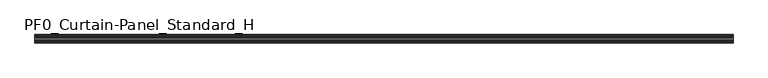
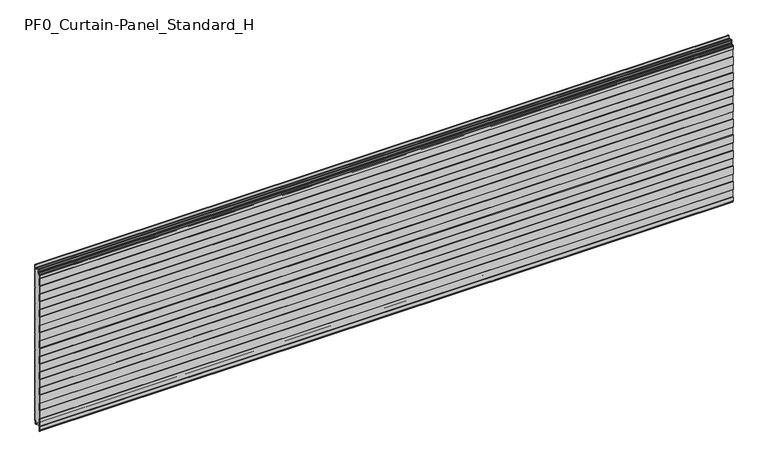
"""IFC4 building model written with IfcOpenShell, lengths in millimetres: plate geometry, PF0_Curtain-Panel_Standard_H."""

from ifc_helpers import new_model, si_unit, point, frame, frame_2d, origin, place, context, project, spatial, polyline, circle_curve, trimmed, segment, composite_curve, outline, extrude, source, transform, mapped, element, save


def pf0_curtain_panel_standard_h_a3f9a514(model_context):
    return source(origin(), model_context, "Body", "SweptSolid", [
        extrude(outline(composite_curve([segment(polyline([(-40.0, 0.0), (-43.5, 0.0)]), True, "CONTINUOUS"), segment(trimmed(circle_curve(frame_2d((-43.5, -2.0)), 2.0), [point((-43.5, 0.0))], [point((-45.5, -2.0))], True, "CARTESIAN"), True, "CONTINUOUS"), segment(polyline([(-45.5, -2.0), (-45.5, -33.0)]), True, "CONTINUOUS"), segment(trimmed(circle_curve(frame_2d((-46.5, -33.0)), 1.0), [point((-45.5, -33.0))], [point((-47.5, -33.0))], False, "CARTESIAN"), True, "CONTINUOUS"), segment(polyline([(-47.5, -33.0), (-47.5, -26.9)]), True, "CONTINUOUS"), segment(trimmed(circle_curve(frame_2d((-48.4, -26.9)), 0.9), [point((-47.5, -26.9))], [point((-48.4, -26.0))], True, "CARTESIAN"), True, "CONTINUOUS"), segment(trimmed(circle_curve(frame_2d((-48.4, -24.4)), 1.6), [point((-48.4, -26.0))], [point((-50.0, -24.4))], False, "CARTESIAN"), True, "CONTINUOUS"), segment(polyline([(-50.0, -24.4), (-50.0, -0.9952559), (-48.5, 1.6028217), (-48.5, 46.4028193), (-50.0, 49.0008969), (-50.0, 99.0047441), (-48.5, 101.6028217), (-48.5, 146.4028193), (-50.0, 149.0008969), (-50.0, 199.0047441), (-48.5, 201.6028217), (-48.5, 246.4028193), (-50.0, 249.0008969), (-50.0, 299.0047441), (-48.5, 301.6028217), (-48.5, 346.4028193), (-50.0, 349.0008969), (-50.0, 399.0047441), (-48.5, 401.6028217), (-48.5, 446.4028193), (-50.0, 449.0008969), (-50.0, 499.0047441), (-48.5, 501.6028217), (-48.5, 546.4028193), (-50.0, 549.0008969), (-50.0, 599.0047441), (-48.5, 601.6028217), (-48.5, 646.4028193), (-50.0, 649.0008969), (-50.0, 699.0047441), (-48.5, 701.6028217), (-48.5, 746.4028193), (-50.0, 749.0008969), (-50.0, 799.0047441), (-48.5, 801.6028217), (-48.5, 846.4028193), (-50.0, 849.0008969), (-50.0, 899.0047441), (-48.5, 901.6028217), (-48.5, 946.4028193), (-50.0, 949.0008969), (-50.0, 972.168846)]), True, "CONTINUOUS"), segment(trimmed(circle_curve(frame_2d((-49.0, 972.168846)), 1.0), [point((-50.0, 972.168846))], [point((-48.0, 972.168846))], False, "CARTESIAN"), True, "CONTINUOUS"), segment(polyline([(-48.0, 972.168846), (-48.0, 966.168846)]), True, "CONTINUOUS"), segment(trimmed(circle_curve(frame_2d((-46.5, 966.168846)), 1.5), [point((-48.0, 966.168846))], [point((-45.0, 966.168846))], True, "CARTESIAN"), True, "CONTINUOUS"), segment(polyline([(-45.0, 966.168846), (-45.0, 966.9964664)]), True, "CONTINUOUS"), segment(trimmed(circle_curve(frame_2d((-38.8276204, 966.9964664)), 6.1723796), [point((-45.0, 966.9964664))], [point((-38.8276204, 973.168846))], False, "CARTESIAN"), True, "CONTINUOUS"), segment(polyline([(-38.8276204, 973.168846), (-38.0, 973.168846)]), True, "CONTINUOUS"), segment(trimmed(circle_curve(frame_2d((-38.0, 974.168846)), 1.0), [point((-38.0, 973.168846))], [point((-37.0, 974.168846))], True, "CARTESIAN"), True, "CONTINUOUS"), segment(polyline([(-37.0, 974.168846), (-37.0, 980.6688472), (-35.4999999, 982.168846), (-37.0, 983.6688448), (-37.0, 995.568846)]), True, "CONTINUOUS"), segment(trimmed(circle_curve(frame_2d((-34.4, 995.568846)), 2.6), [point((-37.0, 995.568846))], [point((-34.4, 998.168846))], False, "CARTESIAN"), True, "CONTINUOUS"), segment(polyline([(-34.4, 998.168846), (-33.0, 998.168846), (-33.0, 997.368846), (-34.4, 997.368846)]), True, "CONTINUOUS"), segment(trimmed(circle_curve(frame_2d((-34.4, 995.568846)), 1.8), [point((-34.4, 997.368846))], [point((-36.2, 995.568846))], True, "CARTESIAN"), True, "CONTINUOUS"), segment(polyline([(-36.2, 995.568846), (-36.2, 984.0002158), (-34.3686285, 982.168846), (-36.2, 980.3374762), (-36.2, 974.168846)]), True, "CONTINUOUS"), segment(trimmed(circle_curve(frame_2d((-38.0, 974.168846)), 1.8), [point((-36.2, 974.168846))], [point((-38.0, 972.368846))], False, "CARTESIAN"), True, "CONTINUOUS"), segment(polyline([(-38.0, 972.368846), (-38.8276204, 972.368846)]), True, "CONTINUOUS"), segment(trimmed(circle_curve(frame_2d((-38.8276204, 966.9964664)), 5.3723796), [point((-38.8276204, 972.368846))], [point((-44.2, 966.9964664))], True, "CARTESIAN"), True, "CONTINUOUS"), segment(polyline([(-44.2, 966.9964664), (-44.2, 966.168846)]), True, "CONTINUOUS"), segment(trimmed(circle_curve(frame_2d((-46.4, 966.168846)), 2.2), [point((-44.2, 966.168846))], [point((-48.6, 966.168846))], False, "CARTESIAN"), True, "CONTINUOUS"), segment(polyline([(-48.6, 966.168846), (-48.6, 972.0579973)]), True, "CONTINUOUS"), segment(trimmed(circle_curve(frame_2d((-48.9, 972.0579973)), 0.3), [point((-48.6, 972.0579973))], [point((-49.2, 972.0579973))], True, "CARTESIAN"), True, "CONTINUOUS"), segment(polyline([(-49.2, 972.0579973), (-49.2, 949.2152562), (-47.7, 946.6171786), (-47.7, 901.3884624), (-49.2, 898.7903848), (-49.2, 849.2152562), (-47.7, 846.6171786), (-47.7, 801.3884624), (-49.2, 798.7903848), (-49.2, 749.2152562), (-47.7, 746.6171786), (-47.7, 701.3884624), (-49.2, 698.7903848), (-49.2, 649.2152562), (-47.7, 646.6171786), (-47.7, 601.3884624), (-49.2, 598.7903848), (-49.2, 549.2152562), (-47.7, 546.6171786), (-47.7, 501.3884624), (-49.2, 498.7903848), (-49.2, 449.2152562), (-47.7, 446.6171786), (-47.7, 401.3884624), (-49.2, 398.7903848), (-49.2, 349.2152562), (-47.7, 346.6171786), (-47.7, 301.3884624), (-49.2, 298.7903848), (-49.2, 249.2152562), (-47.7, 246.6171786), (-47.7, 201.3884624), (-49.2, 198.7903848), (-49.2, 149.2152562), (-47.7, 146.6171786), (-47.7, 101.3884624), (-49.2, 98.7903848), (-49.2, 49.2152562), (-47.7, 46.6171786), (-47.7, 1.3884624), (-49.2, -1.2096152), (-49.2, -24.4)]), True, "CONTINUOUS"), segment(trimmed(circle_curve(frame_2d((-48.4, -24.4)), 0.8), [point((-49.2, -24.4))], [point((-48.4, -25.2))], True, "CARTESIAN"), True, "CONTINUOUS"), segment(trimmed(circle_curve(frame_2d((-48.6133333, -26.9)), 1.7133333), [point((-48.4, -25.2))], [point((-46.9, -26.9))], False, "CARTESIAN"), True, "CONTINUOUS"), segment(polyline([(-46.9, -26.9), (-46.9, -32.8700312)]), True, "CONTINUOUS"), segment(trimmed(circle_curve(frame_2d((-46.6, -32.8700312)), 0.3), [point((-46.9, -32.8700312))], [point((-46.3, -32.8700312))], True, "CARTESIAN"), True, "CONTINUOUS"), segment(polyline([(-46.3, -32.8700312), (-46.3, -2.0)]), True, "CONTINUOUS"), segment(trimmed(circle_curve(frame_2d((-43.5, -2.0)), 2.8), [point((-46.3, -2.0))], [point((-43.5, 0.8))], False, "CARTESIAN"), True, "CONTINUOUS"), segment(polyline([(-43.5, 0.8), (-40.0, 0.8), (-40.0, 0.0)]), True, "CONTINUOUS")], self_intersect=False)), frame((-2100.0119739, 0.0, 0.0), z_axis=(1.0, 0.0, 0.0), x_axis=(0.0, 1.0, 0.0)), (0.0, 0.0, 1.0), 4200.0239479),
        extrude(outline(composite_curve([segment(polyline([(-15.878557, 0.0), (-20.0, 0.0), (-20.0, 0.8), (-15.878557, 0.8)]), True, "CONTINUOUS"), segment(trimmed(circle_curve(frame_2d((-15.878557, -2.0)), 2.8), [point((-15.878557, 0.8))], [point((-13.1503208, -1.370137))], False, "CARTESIAN"), True, "CONTINUOUS"), segment(polyline([(-13.1503208, -1.370137), (-11.728236, -7.529863)]), True, "CONTINUOUS"), segment(trimmed(circle_curve(frame_2d((-9.0, -6.9)), 2.8), [point((-11.728236, -7.529863))], [point((-6.2, -6.9))], True, "CARTESIAN"), True, "CONTINUOUS"), segment(polyline([(-6.2, -6.9), (-6.2, 8.6)]), True, "CONTINUOUS"), segment(trimmed(circle_curve(frame_2d((-3.4, 8.6)), 2.8), [point((-6.2, 8.6))], [point((-3.4, 11.4))], False, "CARTESIAN"), True, "CONTINUOUS"), segment(polyline([(-3.4, 11.4), (-2.0, 11.4)]), True, "CONTINUOUS"), segment(trimmed(circle_curve(frame_2d((-2.0, 12.6)), 1.2), [point((-2.0, 11.4))], [point((-0.8, 12.6))], True, "CARTESIAN"), True, "CONTINUOUS"), segment(polyline([(-0.8, 12.6), (-0.8, 57.6856412), (-2.482606, 60.6), (-0.8, 63.5143588), (-0.8, 157.6856412), (-2.482606, 160.6), (-0.8, 163.5143588), (-0.8, 257.6856412), (-2.482606, 260.6), (-0.8, 263.5143588), (-0.8, 357.6856412), (-2.482606, 360.6), (-0.8, 363.5143588), (-0.8, 457.6856412), (-2.482606, 460.6), (-0.8, 463.5143588), (-0.8, 557.6856412), (-2.482606, 560.6), (-0.8, 563.5143588), (-0.8, 657.6856412), (-2.482606, 660.6), (-0.8, 663.5143588), (-0.8, 757.6856412), (-2.482606, 760.6), (-0.8, 763.5143588), (-0.8, 857.6856412), (-2.482606, 860.6), (-0.8, 863.5143588), (-0.8, 957.6856412), (-2.482606, 960.6), (-0.8, 963.5143588), (-0.8, 1007.268846)]), True, "CONTINUOUS"), segment(trimmed(circle_curve(frame_2d((-2.5, 1007.268846)), 1.7), [point((-0.8, 1007.268846))], [point((-4.2, 1007.268846))], True, "CARTESIAN"), True, "CONTINUOUS"), segment(polyline([(-4.2, 1007.268846), (-4.2, 990.268846)]), True, "CONTINUOUS"), segment(trimmed(circle_curve(frame_2d((-9.0, 990.268846)), 4.8), [point((-4.2, 990.268846))], [point((-13.7270771, 989.4353344))], False, "CARTESIAN"), True, "CONTINUOUS"), segment(polyline([(-13.7270771, 989.4353344), (-14.8636953, 995.8814129)]), True, "CONTINUOUS"), segment(trimmed(circle_curve(frame_2d((-16.6363492, 995.568846)), 1.8), [point((-14.8636953, 995.8814129))], [point((-16.6363492, 997.368846))], True, "CARTESIAN"), True, "CONTINUOUS"), segment(polyline([(-16.6363492, 997.368846), (-20.0, 997.368846), (-20.0, 998.168846), (-16.6363492, 998.168846)]), True, "CONTINUOUS"), segment(trimmed(circle_curve(frame_2d((-16.6363492, 995.568846)), 2.6), [point((-16.6363492, 998.168846))], [point((-14.0758491, 996.0203315))], False, "CARTESIAN"), True, "CONTINUOUS"), segment(polyline([(-14.0758491, 996.0203315), (-12.939231, 989.574253)]), True, "CONTINUOUS"), segment(trimmed(circle_curve(frame_2d((-9.0, 990.268846)), 4.0), [point((-12.939231, 989.574253))], [point((-5.0, 990.268846))], True, "CARTESIAN"), True, "CONTINUOUS"), segment(polyline([(-5.0, 990.268846), (-5.0, 1007.268846)]), True, "CONTINUOUS"), segment(trimmed(circle_curve(frame_2d((-2.5, 1007.268846)), 2.5), [point((-5.0, 1007.268846))], [point((0.0, 1007.268846))], False, "CARTESIAN"), True, "CONTINUOUS"), segment(polyline([(0.0, 1007.268846), (0.0, 963.2999995), (-1.5588455, 960.6), (0.0, 957.9000005), (0.0, 863.2999995), (-1.5588455, 860.6), (0.0, 857.9000005), (0.0, 763.2999995), (-1.5588455, 760.6), (0.0, 757.9000005), (0.0, 663.2999995), (-1.5588455, 660.6), (0.0, 657.9000005), (0.0, 563.2999995), (-1.5588455, 560.6), (0.0, 557.9000005), (0.0, 463.2999995), (-1.5588455, 460.6), (0.0, 457.9000005), (0.0, 363.2999995), (-1.5588455, 360.6), (0.0, 357.9000005), (0.0, 263.2999995), (-1.5588455, 260.6), (0.0, 257.9000005), (0.0, 163.2999995), (-1.5588455, 160.6), (0.0, 157.9000005), (0.0, 63.2999995), (-1.5588455, 60.6), (0.0, 57.9000005), (0.0, 12.6)]), True, "CONTINUOUS"), segment(trimmed(circle_curve(frame_2d((-2.0, 12.6)), 2.0), [point((0.0, 12.6))], [point((-2.0, 10.6))], False, "CARTESIAN"), True, "CONTINUOUS"), segment(polyline([(-2.0, 10.6), (-3.4, 10.6)]), True, "CONTINUOUS"), segment(trimmed(circle_curve(frame_2d((-3.4, 8.6)), 2.0), [point((-3.4, 10.6))], [point((-5.4, 8.6))], True, "CARTESIAN"), True, "CONTINUOUS"), segment(polyline([(-5.4, 8.6), (-5.4, -6.9)]), True, "CONTINUOUS"), segment(trimmed(circle_curve(frame_2d((-9.0, -6.9)), 3.6), [point((-5.4, -6.9))], [point((-12.5077322, -7.7098239))], False, "CARTESIAN"), True, "CONTINUOUS"), segment(polyline([(-12.5077322, -7.7098239), (-13.929817, -1.5500979)]), True, "CONTINUOUS"), segment(trimmed(circle_curve(frame_2d((-15.878557, -2.0)), 2.0), [point((-13.929817, -1.5500979))], [point((-15.878557, 0.0))], True, "CARTESIAN"), True, "CONTINUOUS")], self_intersect=False)), frame((-2100.0119739, 0.0, 0.0), z_axis=(1.0, 0.0, 0.0), x_axis=(0.0, 1.0, 0.0)), (0.0, 0.0, 1.0), 4200.0239479),
        extrude(outline(composite_curve([segment(polyline([(-40.0, 0.8), (-43.5, 0.8)]), True, "CONTINUOUS"), segment(trimmed(circle_curve(frame_2d((-43.5, -2.0)), 2.8), [point((-43.5, 0.8))], [point((-46.3, -2.0))], True, "CARTESIAN"), True, "CONTINUOUS"), segment(polyline([(-46.3, -2.0), (-46.3, -32.8700312)]), True, "CONTINUOUS"), segment(trimmed(circle_curve(frame_2d((-46.6, -32.8700312)), 0.3), [point((-46.3, -32.8700312))], [point((-46.9, -32.8700312))], False, "CARTESIAN"), True, "CONTINUOUS"), segment(polyline([(-46.9, -32.8700312), (-46.9, -26.9)]), True, "CONTINUOUS"), segment(trimmed(circle_curve(frame_2d((-48.6133333, -26.9)), 1.7133333), [point((-46.9, -26.9))], [point((-48.4, -25.2))], True, "CARTESIAN"), True, "CONTINUOUS"), segment(trimmed(circle_curve(frame_2d((-48.4, -24.4)), 0.8), [point((-48.4, -25.2))], [point((-49.2, -24.4))], False, "CARTESIAN"), True, "CONTINUOUS"), segment(polyline([(-49.2, -24.4), (-49.2, -1.2096152), (-47.7, 1.3884624), (-47.7, 46.6171786), (-49.2, 49.2152562), (-49.2, 98.7903848), (-47.7, 101.3884624), (-47.7, 146.6171786), (-49.2, 149.2152562), (-49.2, 198.7903848), (-47.7, 201.3884624), (-47.7, 246.6171786), (-49.2, 249.2152562), (-49.2, 298.7903848), (-47.7, 301.3884624), (-47.7, 346.6171786), (-49.2, 349.2152562), (-49.2, 398.7903848), (-47.7, 401.3884624), (-47.7, 446.6171786), (-49.2, 449.2152562), (-49.2, 498.7903848), (-47.7, 501.3884624), (-47.7, 546.6171786), (-49.2, 549.2152562), (-49.2, 598.7903848), (-47.7, 601.3884624), (-47.7, 646.6171786), (-49.2, 649.2152562), (-49.2, 698.7903848), (-47.7, 701.3884624), (-47.7, 746.6171786), (-49.2, 749.2152562), (-49.2, 798.7903848), (-47.7, 801.3884624), (-47.7, 846.6171786), (-49.2, 849.2152562), (-49.2, 898.7903848), (-47.7, 901.3884624), (-47.7, 946.6171786), (-49.2, 949.2152562), (-49.2, 972.0579973)]), True, "CONTINUOUS"), segment(trimmed(circle_curve(frame_2d((-48.9, 972.0579973)), 0.3), [point((-49.2, 972.0579973))], [point((-48.6, 972.0579973))], False, "CARTESIAN"), True, "CONTINUOUS"), segment(polyline([(-48.6, 972.0579973), (-48.6, 966.168846)]), True, "CONTINUOUS"), segment(trimmed(circle_curve(frame_2d((-46.4, 966.168846)), 2.2), [point((-48.6, 966.168846))], [point((-44.2, 966.168846))], True, "CARTESIAN"), True, "CONTINUOUS"), segment(polyline([(-44.2, 966.168846), (-44.2, 966.9964664)]), True, "CONTINUOUS"), segment(trimmed(circle_curve(frame_2d((-38.8276204, 966.9964664)), 5.3723796), [point((-44.2, 966.9964664))], [point((-38.8276204, 972.368846))], False, "CARTESIAN"), True, "CONTINUOUS"), segment(polyline([(-38.8276204, 972.368846), (-38.0, 972.368846)]), True, "CONTINUOUS"), segment(trimmed(circle_curve(frame_2d((-38.0, 974.168846)), 1.8), [point((-38.0, 972.368846))], [point((-36.2, 974.168846))], True, "CARTESIAN"), True, "CONTINUOUS"), segment(polyline([(-36.2, 974.168846), (-36.2, 980.3374762), (-34.3686285, 982.168846), (-36.2, 984.0002158), (-36.2, 995.568846)]), True, "CONTINUOUS"), segment(trimmed(circle_curve(frame_2d((-34.4, 995.568846)), 1.8), [point((-36.2, 995.568846))], [point((-34.4, 997.368846))], False, "CARTESIAN"), True, "CONTINUOUS"), segment(polyline([(-34.4, 997.368846), (-33.0, 997.368846), (-33.0, 998.168846), (-20.0, 998.168846), (-20.0, 997.368846), (-16.6363492, 997.368846)]), True, "CONTINUOUS"), segment(trimmed(circle_curve(frame_2d((-16.6363492, 995.568846)), 1.8), [point((-16.6363492, 997.368846))], [point((-14.8636953, 995.8814129))], False, "CARTESIAN"), True, "CONTINUOUS"), segment(polyline([(-14.8636953, 995.8814129), (-13.7270772, 989.4353344)]), True, "CONTINUOUS"), segment(trimmed(circle_curve(frame_2d((-9.0, 990.268846)), 4.8), [point((-13.7270772, 989.4353344))], [point((-4.2, 990.268846))], True, "CARTESIAN"), True, "CONTINUOUS"), segment(polyline([(-4.2, 990.268846), (-4.2, 1007.268846)]), True, "CONTINUOUS"), segment(trimmed(circle_curve(frame_2d((-2.5, 1007.268846)), 1.7), [point((-4.2, 1007.268846))], [point((-0.8, 1007.268846))], False, "CARTESIAN"), True, "CONTINUOUS"), segment(polyline([(-0.8, 1007.268846), (-0.8, 963.5143588), (-2.482606, 960.6), (-0.8, 957.6856412), (-0.8, 863.5143588), (-2.482606, 860.6), (-0.8, 857.6856412), (-0.8, 763.5143588), (-2.482606, 760.6), (-0.8, 757.6856412), (-0.8, 663.5143588), (-2.482606, 660.6), (-0.8, 657.6856412), (-0.8, 563.5143588), (-2.482606, 560.6), (-0.8, 557.6856412), (-0.8, 463.5143588), (-2.482606, 460.6), (-0.8, 457.6856412), (-0.8, 363.5143588), (-2.482606, 360.6), (-0.8, 357.6856412), (-0.8, 263.5143588), (-2.482606, 260.6), (-0.8, 257.6856412), (-0.8, 163.5143588), (-2.482606, 160.6), (-0.8, 157.6856412), (-0.8, 63.5143588), (-2.482606, 60.6), (-0.8, 57.6856412), (-0.8, 12.6)]), True, "CONTINUOUS"), segment(trimmed(circle_curve(frame_2d((-2.0, 12.6)), 1.2), [point((-0.8, 12.6))], [point((-2.0, 11.4))], False, "CARTESIAN"), True, "CONTINUOUS"), segment(polyline([(-2.0, 11.4), (-3.4, 11.4)]), True, "CONTINUOUS"), segment(trimmed(circle_curve(frame_2d((-3.4, 8.6)), 2.8), [point((-3.4, 11.4))], [point((-6.2, 8.6))], True, "CARTESIAN"), True, "CONTINUOUS"), segment(polyline([(-6.2, 8.6), (-6.2, -6.9)]), True, "CONTINUOUS"), segment(trimmed(circle_curve(frame_2d((-9.0, -6.9)), 2.8), [point((-6.2, -6.9))], [point((-11.7282362, -7.529863))], False, "CARTESIAN"), True, "CONTINUOUS"), segment(polyline([(-11.7282362, -7.529863), (-13.1503208, -1.370137)]), True, "CONTINUOUS"), segment(trimmed(circle_curve(frame_2d((-15.878557, -2.0)), 2.8), [point((-13.1503208, -1.370137))], [point((-15.878557, 0.8))], True, "CARTESIAN"), True, "CONTINUOUS"), segment(polyline([(-15.878557, 0.8), (-20.0, 0.8), (-20.0, 0.0), (-40.0, 0.0), (-40.0, 0.8)]), True, "CONTINUOUS")], self_intersect=False)), frame((-2100.0119739, 0.0, 0.0), z_axis=(1.0, 0.0, 0.0), x_axis=(0.0, 1.0, 0.0)), (0.0, 0.0, 1.0), 4200.0239479),
    ])


if __name__ == "__main__":
    model = new_model("IFC4")
    model_context = context("Model", 3, world=origin())
    ifc_project = project(units=[si_unit("LENGTHUNIT", "METRE", prefix="MILLI")], contexts=[model_context])
    site = spatial("IfcSite", under=ifc_project)
    building = spatial("IfcBuilding", under=site)
    placement = place(None, origin())
    pf0_curtain_panel_standard_h_shape = pf0_curtain_panel_standard_h_a3f9a514(model_context)
    element("IfcPlate", 1, ObjectType="PF0_Curtain-Panel_Standard_H", at=placement, inside=building, context=model_context, shape_type="MappedRepresentation", body=[
        mapped(pf0_curtain_panel_standard_h_shape, transform((0.0, 0.0, 0.0), x_axis=(1.0, 0.0, 0.0), y_axis=(0.0, 1.0, 0.0), z_axis=(0.0, 0.0, 1.0))),
    ])
    save(model, "model.ifc")
